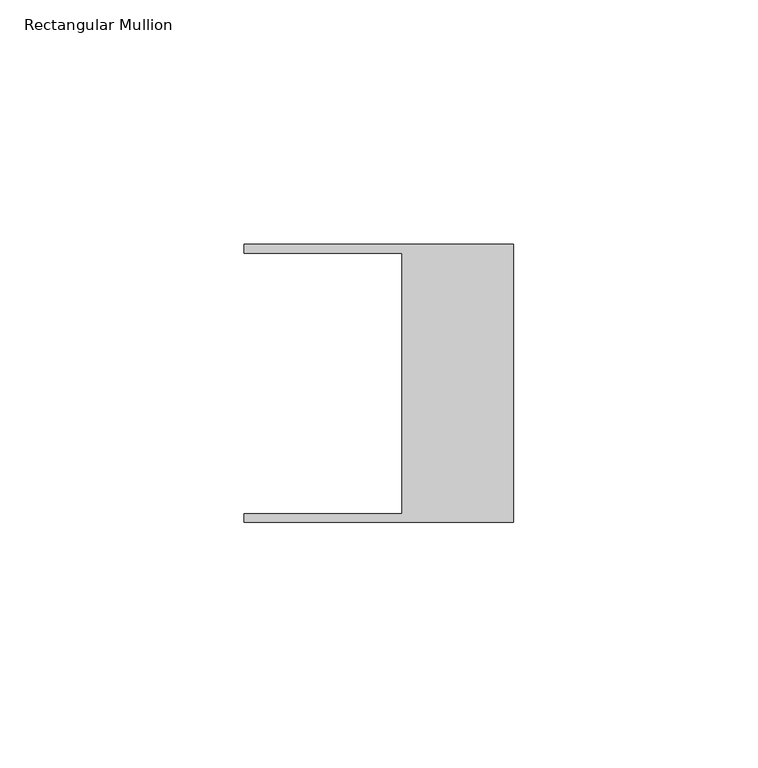
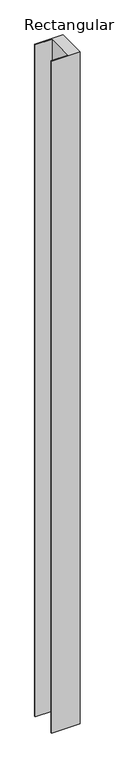
"""IFC4 building model written with IfcOpenShell, lengths in millimetres: member geometry, Rectangular Mullion."""

import ifcopenshell
import ifcopenshell.guid

model = None  # the IFC model being written
_history = None  # IfcOwnerHistory: only IFC2X3 demands one
_inside = {}  # id of a spatial element -> (the spatial element, [elements in it])
_under = {}  # id of a project, library or spatial element -> (it, [spatial elements below it])
_declared = {}  # id of a project -> (the project, [libraries it declares])
_typed = {}  # id of a type object -> (the type object, [elements of that type])
_made_of = {}  # id of a material, layer set ... -> (it, [elements and type objects made of it])


def new_model(schema):
    """Start an empty IFC model of exactly this schema.

    Asked for "IFC4X3", IfcOpenShell would pick the latest addendum, in which some entities
    have other attributes; the version numbers below select the first issue.
    IFC2X3 requires an IfcOwnerHistory on every rooted entity: one is made here for all.
    """
    global model, _history
    if schema == "IFC4X3":
        model = ifcopenshell.file(schema_version=(4, 3, 0, 0))
    else:
        model = ifcopenshell.file(schema=schema)
    _inside.clear()
    _under.clear()
    _declared.clear()
    _typed.clear()
    _made_of.clear()
    _history = None
    if model.schema == "IFC2X3":
        org = make("IfcOrganization", Name="unknown")
        user = make(
            "IfcPersonAndOrganization",
            ThePerson=make("IfcPerson", FamilyName="unknown"),
            TheOrganization=org,
        )
        app = make(
            "IfcApplication",
            ApplicationDeveloper=org,
            Version="unknown",
            ApplicationFullName="unknown",
            ApplicationIdentifier="unknown",
        )
        _history = make(
            "IfcOwnerHistory",
            OwningUser=user,
            OwningApplication=app,
            ChangeAction="ADDED",
            CreationDate=0,
        )
    return model


def make(cls, **values):
    """One entity of the class cls with the attributes given. An attribute that is None is left unset."""
    return model.create_entity(
        cls, **{name: value for name, value in values.items() if value is not None}
    )


def rooted(cls, **values):
    """An entity with a GlobalId (a new one), such as an element, a storey or a relation."""
    return make(cls, GlobalId=ifcopenshell.guid.new(), OwnerHistory=_history, **values)


def si_unit(unit_type, name, prefix=None):
    """IfcSIUnit, for example si_unit("LENGTHUNIT", "METRE", prefix="MILLI")."""
    return make("IfcSIUnit", UnitType=unit_type, Prefix=prefix, Name=name)


def assignment(units):
    """IfcUnitAssignment: the units of a project."""
    return None if units is None else make("IfcUnitAssignment", Units=units)


def point(xyz):
    """IfcCartesianPoint."""
    return None if xyz is None else make("IfcCartesianPoint", Coordinates=xyz)


def direction(xyz):
    """IfcDirection."""
    return None if xyz is None else make("IfcDirection", DirectionRatios=xyz)


def frame(location, z_axis=None, x_axis=None):
    """IfcAxis2Placement3D, a coordinate frame: its origin and axes. An axis left out is left unset."""
    return make(
        "IfcAxis2Placement3D",
        Location=point(location),
        Axis=direction(z_axis),
        RefDirection=direction(x_axis),
    )


def origin():
    """The frame at (0, 0, 0) with its axes left unset."""
    return frame((0.0, 0.0, 0.0))


def place(relative_to, where):
    """IfcLocalPlacement: puts the frame where relative to a parent placement (None: the world)."""
    return make(
        "IfcLocalPlacement", PlacementRelTo=relative_to, RelativePlacement=where
    )


def context(
    kind, dimensions, precision=None, world=None, true_north=None, identifier=None
):
    """IfcGeometricRepresentationContext, for example the 3D "Model" context."""
    return make(
        "IfcGeometricRepresentationContext",
        ContextIdentifier=identifier,
        ContextType=kind,
        CoordinateSpaceDimension=dimensions,
        Precision=precision,
        WorldCoordinateSystem=world,
        TrueNorth=true_north,
    )


def project(units=None, contexts=None):
    """IfcProject with its units and contexts."""
    return rooted(
        "IfcProject",
        Name="project",
        RepresentationContexts=contexts,
        UnitsInContext=assignment(units),
    )


def spatial(cls, under=None, at=None, **own):
    """A site, building, storey or space (cls), placed at a placement, below another one or the project."""
    s = rooted(cls, ObjectPlacement=at, **own)
    if under is not None:
        _under.setdefault(under.id(), (under, []))[1].append(s)
    return s


def polyline(points):
    """IfcPolyline through the points."""
    return make("IfcPolyline", Points=[point(p) for p in points])


def outline(outer, holes=None, kind="AREA"):
    """IfcArbitraryClosedProfileDef: a profile drawn as a closed curve; with holes, ...WithVoids."""
    if holes is None:
        return make("IfcArbitraryClosedProfileDef", ProfileType=kind, OuterCurve=outer)
    return make(
        "IfcArbitraryProfileDefWithVoids",
        ProfileType=kind,
        OuterCurve=outer,
        InnerCurves=holes,
    )


def extrude(swept, where, along, depth):
    """IfcExtrudedAreaSolid: the profile swept, set in the frame where, extruded along a direction by depth."""
    return make(
        "IfcExtrudedAreaSolid",
        SweptArea=swept,
        Position=where,
        ExtrudedDirection=direction(along),
        Depth=depth,
    )


def shape(context_of_items, identifier, shape_type, items):
    """IfcShapeRepresentation: the items that make up one representation, for example the "Body"."""
    return make(
        "IfcShapeRepresentation",
        ContextOfItems=context_of_items,
        RepresentationIdentifier=identifier,
        RepresentationType=shape_type,
        Items=items,
    )


def source(mapping_origin, context_of_items, identifier, shape_type, items):
    """IfcRepresentationMap: a shape defined once, which mapped items show again and again."""
    return make(
        "IfcRepresentationMap",
        MappingOrigin=mapping_origin,
        MappedRepresentation=shape(context_of_items, identifier, shape_type, items),
    )


def transform(
    local_origin,
    x_axis=None,
    y_axis=None,
    z_axis=None,
    scale=None,
    scale2=None,
    scale3=None,
    uniform=True,
):
    """IfcCartesianTransformationOperator3D, or its non-uniform kind. x_axis, y_axis, z_axis: its Axis1, 2, 3."""
    if uniform:
        return make(
            "IfcCartesianTransformationOperator3D",
            Axis1=direction(x_axis),
            Axis2=direction(y_axis),
            LocalOrigin=point(local_origin),
            Scale=scale,
            Axis3=direction(z_axis),
        )
    return make(
        "IfcCartesianTransformationOperator3DnonUniform",
        Axis1=direction(x_axis),
        Axis2=direction(y_axis),
        LocalOrigin=point(local_origin),
        Scale=scale,
        Axis3=direction(z_axis),
        Scale2=scale2,
        Scale3=scale3,
    )


def mapped(mapping_source, mapping_target):
    """IfcMappedItem: shows the shape of a source again, moved by a transform."""
    return make(
        "IfcMappedItem", MappingSource=mapping_source, MappingTarget=mapping_target
    )


def made_of(thing, what):
    """Note that an element or type object is made of a material, layer set ...; save() writes the relation."""
    if what is not None:
        _made_of.setdefault(what.id(), (what, []))[1].append(thing)
    return thing


def element(
    cls,
    number,
    at=None,
    inside=None,
    cuts=None,
    type_object=None,
    material=None,
    context=None,
    identifier="Body",
    shape_type=None,
    held_by="IfcProductDefinitionShape",
    body=None,
    shapes=None,
    **own,
):
    """One element of the class cls, such as IfcWall. Its Tag is "e" and its number.

    at: its placement. inside: the storey or other place that contains it. cuts: it is an
    opening in that element (IfcRelVoidsElement). A single representation is given by context,
    identifier, shape_type and body (its items); several are given by shapes. held_by: the class
    of the entity that holds the representations. save() writes the other relations.
    """
    e = rooted(cls, Tag="e%d" % number, ObjectPlacement=at, **own)
    if body is not None:
        shapes = [shape(context, identifier, shape_type, body)]
    if shapes is not None:
        e.Representation = make(held_by, Representations=shapes)
    if inside is not None:
        _inside.setdefault(inside.id(), (inside, []))[1].append(e)
    if cuts is not None:
        rooted(
            "IfcRelVoidsElement", RelatingBuildingElement=cuts, RelatedOpeningElement=e
        )
    if type_object is not None:
        _typed.setdefault(type_object.id(), (type_object, []))[1].append(e)
    return made_of(e, material)


def aggregate(whole, parts):
    """IfcRelAggregates: a whole, such as a stair, and the parts it consists of."""
    return rooted("IfcRelAggregates", RelatingObject=whole, RelatedObjects=parts)


def save(model, path):
    """Write the relations noted so far, then the file.

    IfcRelAggregates (storeys below a building ...), IfcRelContainedInSpatialStructure (elements
    in a storey), IfcRelDefinesByType, IfcRelAssociatesMaterial and IfcRelDeclares: one each for
    every whole, place, type object, material and project.
    """
    for whole, parts in _under.values():
        aggregate(whole, parts)
    for where, things in _inside.values():
        rooted(
            "IfcRelContainedInSpatialStructure",
            RelatedElements=things,
            RelatingStructure=where,
        )
    for kind, things in _typed.values():
        rooted("IfcRelDefinesByType", RelatedObjects=things, RelatingType=kind)
    for what, things in _made_of.values():
        rooted("IfcRelAssociatesMaterial", RelatedObjects=things, RelatingMaterial=what)
    for by, libraries in _declared.values():
        rooted("IfcRelDeclares", RelatingContext=by, RelatedDefinitions=libraries)
    model.write(path)


def rectangular_mullion_b4803345(model_context):
    return source(origin(), model_context, "Body", "SweptSolid", [
        extrude(outline(polyline([(-55.118, 26.67), (-55.118, 28.448), (0.0, 28.448), (0.0, -28.448), (-55.118, -28.448), (-55.118, -26.67), (-22.86, -26.67), (-22.86, 26.67), (-55.118, 26.67)])), frame((0.0, 0.0, -1371.6), z_axis=(0.0, 0.0, 1.0), x_axis=(1.0, 0.0, 0.0)), (0.0, 0.0, 1.0), 1371.6),
    ])


if __name__ == "__main__":
    model = new_model("IFC4")
    model_context = context("Model", 3, world=origin())
    ifc_project = project(units=[si_unit("LENGTHUNIT", "METRE", prefix="MILLI")], contexts=[model_context])
    site = spatial("IfcSite", under=ifc_project)
    building = spatial("IfcBuilding", under=site)
    placement = place(None, origin())
    rectangular_mullion_shape = rectangular_mullion_b4803345(model_context)
    element("IfcMember", 1, ObjectType="Rectangular Mullion", at=placement, inside=building, context=model_context, shape_type="MappedRepresentation", body=[
        mapped(rectangular_mullion_shape, transform((0.0, 0.0, 0.0), x_axis=(1.0, 0.0, 0.0), y_axis=(0.0, 1.0, 0.0), z_axis=(0.0, 0.0, 1.0))),
    ])
    save(model, "model.ifc")
